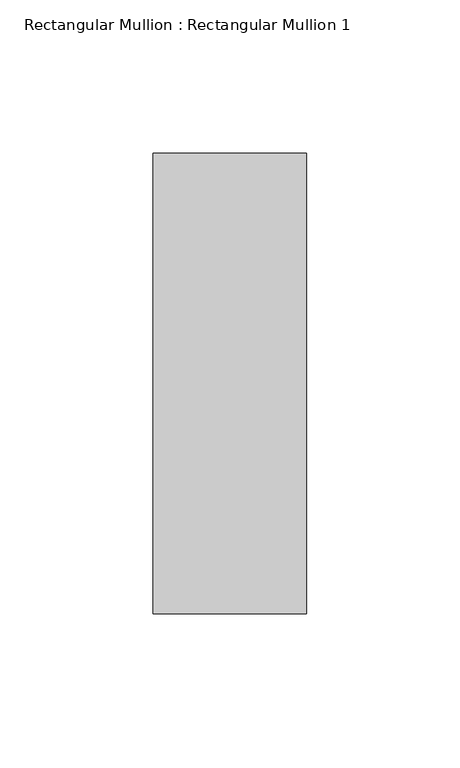
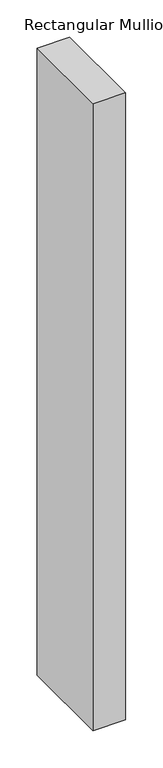
"""IFC4 building model written with IfcOpenShell, lengths in millimetres: member geometry, Rectangular Mullion : Rectangular Mullion 1."""

from ifc_helpers import new_model, si_unit, frame, origin, place, context, project, spatial, polyline, outline, extrude, source, transform, mapped, element, save


def rectangular_mullion_rectangular_mullion_1_a65b6ca2(model_context):
    return source(origin(), model_context, "Body", "SweptSolid", [
        extrude(outline(polyline([(0.0, 75.0), (0.0, -75.0), (-50.0, -75.0), (-50.0, 75.0), (0.0, 75.0)])), frame((0.0, 0.0, -1025.0), z_axis=(0.0, 0.0, 1.0), x_axis=(1.0, 0.0, 0.0)), (0.0, 0.0, 1.0), 1025.0),
    ])


if __name__ == "__main__":
    model = new_model("IFC4")
    model_context = context("Model", 3, world=origin())
    ifc_project = project(units=[si_unit("LENGTHUNIT", "METRE", prefix="MILLI")], contexts=[model_context])
    site = spatial("IfcSite", under=ifc_project)
    building = spatial("IfcBuilding", under=site)
    placement = place(None, origin())
    rectangular_mullion_rectangular_mullion_1_shape = rectangular_mullion_rectangular_mullion_1_a65b6ca2(model_context)
    element("IfcMember", 1, ObjectType="Rectangular Mullion : Rectangular Mullion 1", at=placement, inside=building, context=model_context, shape_type="MappedRepresentation", body=[
        mapped(rectangular_mullion_rectangular_mullion_1_shape, transform((0.0, 0.0, 0.0), x_axis=(1.0, 0.0, 0.0), y_axis=(0.0, 1.0, 0.0), z_axis=(0.0, 0.0, 1.0))),
    ])
    save(model, "model.ifc")
